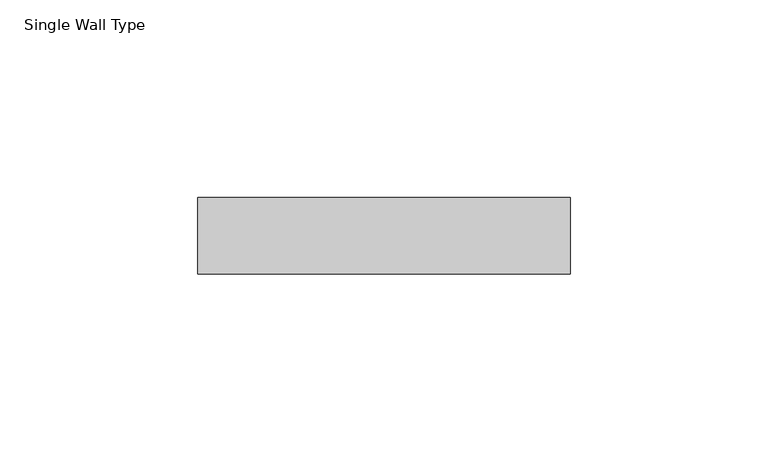
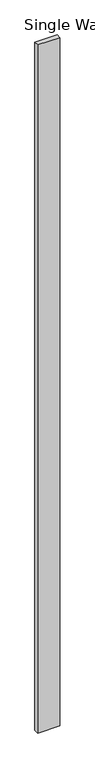
"""IFC4 building model written with IfcOpenShell, lengths in millimetres: proxy geometry, Single Wall Type."""

import ifcopenshell
import ifcopenshell.guid

model = None  # the IFC model being written
_history = None  # IfcOwnerHistory: only IFC2X3 demands one
_inside = {}  # id of a spatial element -> (the spatial element, [elements in it])
_under = {}  # id of a project, library or spatial element -> (it, [spatial elements below it])
_declared = {}  # id of a project -> (the project, [libraries it declares])
_typed = {}  # id of a type object -> (the type object, [elements of that type])
_made_of = {}  # id of a material, layer set ... -> (it, [elements and type objects made of it])


def new_model(schema):
    """Start an empty IFC model of exactly this schema.

    Asked for "IFC4X3", IfcOpenShell would pick the latest addendum, in which some entities
    have other attributes; the version numbers below select the first issue.
    IFC2X3 requires an IfcOwnerHistory on every rooted entity: one is made here for all.
    """
    global model, _history
    if schema == "IFC4X3":
        model = ifcopenshell.file(schema_version=(4, 3, 0, 0))
    else:
        model = ifcopenshell.file(schema=schema)
    _inside.clear()
    _under.clear()
    _declared.clear()
    _typed.clear()
    _made_of.clear()
    _history = None
    if model.schema == "IFC2X3":
        org = make("IfcOrganization", Name="unknown")
        user = make(
            "IfcPersonAndOrganization",
            ThePerson=make("IfcPerson", FamilyName="unknown"),
            TheOrganization=org,
        )
        app = make(
            "IfcApplication",
            ApplicationDeveloper=org,
            Version="unknown",
            ApplicationFullName="unknown",
            ApplicationIdentifier="unknown",
        )
        _history = make(
            "IfcOwnerHistory",
            OwningUser=user,
            OwningApplication=app,
            ChangeAction="ADDED",
            CreationDate=0,
        )
    return model


def make(cls, **values):
    """One entity of the class cls with the attributes given. An attribute that is None is left unset."""
    return model.create_entity(
        cls, **{name: value for name, value in values.items() if value is not None}
    )


def rooted(cls, **values):
    """An entity with a GlobalId (a new one), such as an element, a storey or a relation."""
    return make(cls, GlobalId=ifcopenshell.guid.new(), OwnerHistory=_history, **values)


def si_unit(unit_type, name, prefix=None):
    """IfcSIUnit, for example si_unit("LENGTHUNIT", "METRE", prefix="MILLI")."""
    return make("IfcSIUnit", UnitType=unit_type, Prefix=prefix, Name=name)


def assignment(units):
    """IfcUnitAssignment: the units of a project."""
    return None if units is None else make("IfcUnitAssignment", Units=units)


def point(xyz):
    """IfcCartesianPoint."""
    return None if xyz is None else make("IfcCartesianPoint", Coordinates=xyz)


def direction(xyz):
    """IfcDirection."""
    return None if xyz is None else make("IfcDirection", DirectionRatios=xyz)


def frame(location, z_axis=None, x_axis=None):
    """IfcAxis2Placement3D, a coordinate frame: its origin and axes. An axis left out is left unset."""
    return make(
        "IfcAxis2Placement3D",
        Location=point(location),
        Axis=direction(z_axis),
        RefDirection=direction(x_axis),
    )


def origin():
    """The frame at (0, 0, 0) with its axes left unset."""
    return frame((0.0, 0.0, 0.0))


def origin_with_axes():
    """The frame at (0, 0, 0) with the z axis (0, 0, 1) and the x axis (1, 0, 0) written out."""
    return frame((0.0, 0.0, 0.0), z_axis=(0.0, 0.0, 1.0), x_axis=(1.0, 0.0, 0.0))


def place(relative_to, where):
    """IfcLocalPlacement: puts the frame where relative to a parent placement (None: the world)."""
    return make(
        "IfcLocalPlacement", PlacementRelTo=relative_to, RelativePlacement=where
    )


def context(
    kind, dimensions, precision=None, world=None, true_north=None, identifier=None
):
    """IfcGeometricRepresentationContext, for example the 3D "Model" context."""
    return make(
        "IfcGeometricRepresentationContext",
        ContextIdentifier=identifier,
        ContextType=kind,
        CoordinateSpaceDimension=dimensions,
        Precision=precision,
        WorldCoordinateSystem=world,
        TrueNorth=true_north,
    )


def project(units=None, contexts=None):
    """IfcProject with its units and contexts."""
    return rooted(
        "IfcProject",
        Name="project",
        RepresentationContexts=contexts,
        UnitsInContext=assignment(units),
    )


def spatial(cls, under=None, at=None, **own):
    """A site, building, storey or space (cls), placed at a placement, below another one or the project."""
    s = rooted(cls, ObjectPlacement=at, **own)
    if under is not None:
        _under.setdefault(under.id(), (under, []))[1].append(s)
    return s


def polyline(points):
    """IfcPolyline through the points."""
    return make("IfcPolyline", Points=[point(p) for p in points])


def outline(outer, holes=None, kind="AREA"):
    """IfcArbitraryClosedProfileDef: a profile drawn as a closed curve; with holes, ...WithVoids."""
    if holes is None:
        return make("IfcArbitraryClosedProfileDef", ProfileType=kind, OuterCurve=outer)
    return make(
        "IfcArbitraryProfileDefWithVoids",
        ProfileType=kind,
        OuterCurve=outer,
        InnerCurves=holes,
    )


def extrude(swept, where, along, depth):
    """IfcExtrudedAreaSolid: the profile swept, set in the frame where, extruded along a direction by depth."""
    return make(
        "IfcExtrudedAreaSolid",
        SweptArea=swept,
        Position=where,
        ExtrudedDirection=direction(along),
        Depth=depth,
    )


def shape(context_of_items, identifier, shape_type, items):
    """IfcShapeRepresentation: the items that make up one representation, for example the "Body"."""
    return make(
        "IfcShapeRepresentation",
        ContextOfItems=context_of_items,
        RepresentationIdentifier=identifier,
        RepresentationType=shape_type,
        Items=items,
    )


def source(mapping_origin, context_of_items, identifier, shape_type, items):
    """IfcRepresentationMap: a shape defined once, which mapped items show again and again."""
    return make(
        "IfcRepresentationMap",
        MappingOrigin=mapping_origin,
        MappedRepresentation=shape(context_of_items, identifier, shape_type, items),
    )


def transform(
    local_origin,
    x_axis=None,
    y_axis=None,
    z_axis=None,
    scale=None,
    scale2=None,
    scale3=None,
    uniform=True,
):
    """IfcCartesianTransformationOperator3D, or its non-uniform kind. x_axis, y_axis, z_axis: its Axis1, 2, 3."""
    if uniform:
        return make(
            "IfcCartesianTransformationOperator3D",
            Axis1=direction(x_axis),
            Axis2=direction(y_axis),
            LocalOrigin=point(local_origin),
            Scale=scale,
            Axis3=direction(z_axis),
        )
    return make(
        "IfcCartesianTransformationOperator3DnonUniform",
        Axis1=direction(x_axis),
        Axis2=direction(y_axis),
        LocalOrigin=point(local_origin),
        Scale=scale,
        Axis3=direction(z_axis),
        Scale2=scale2,
        Scale3=scale3,
    )


def mapped(mapping_source, mapping_target):
    """IfcMappedItem: shows the shape of a source again, moved by a transform."""
    return make(
        "IfcMappedItem", MappingSource=mapping_source, MappingTarget=mapping_target
    )


def made_of(thing, what):
    """Note that an element or type object is made of a material, layer set ...; save() writes the relation."""
    if what is not None:
        _made_of.setdefault(what.id(), (what, []))[1].append(thing)
    return thing


def element(
    cls,
    number,
    at=None,
    inside=None,
    cuts=None,
    type_object=None,
    material=None,
    context=None,
    identifier="Body",
    shape_type=None,
    held_by="IfcProductDefinitionShape",
    body=None,
    shapes=None,
    **own,
):
    """One element of the class cls, such as IfcWall. Its Tag is "e" and its number.

    at: its placement. inside: the storey or other place that contains it. cuts: it is an
    opening in that element (IfcRelVoidsElement). A single representation is given by context,
    identifier, shape_type and body (its items); several are given by shapes. held_by: the class
    of the entity that holds the representations. save() writes the other relations.
    """
    e = rooted(cls, Tag="e%d" % number, ObjectPlacement=at, **own)
    if body is not None:
        shapes = [shape(context, identifier, shape_type, body)]
    if shapes is not None:
        e.Representation = make(held_by, Representations=shapes)
    if inside is not None:
        _inside.setdefault(inside.id(), (inside, []))[1].append(e)
    if cuts is not None:
        rooted(
            "IfcRelVoidsElement", RelatingBuildingElement=cuts, RelatedOpeningElement=e
        )
    if type_object is not None:
        _typed.setdefault(type_object.id(), (type_object, []))[1].append(e)
    return made_of(e, material)


def aggregate(whole, parts):
    """IfcRelAggregates: a whole, such as a stair, and the parts it consists of."""
    return rooted("IfcRelAggregates", RelatingObject=whole, RelatedObjects=parts)


def save(model, path):
    """Write the relations noted so far, then the file.

    IfcRelAggregates (storeys below a building ...), IfcRelContainedInSpatialStructure (elements
    in a storey), IfcRelDefinesByType, IfcRelAssociatesMaterial and IfcRelDeclares: one each for
    every whole, place, type object, material and project.
    """
    for whole, parts in _under.values():
        aggregate(whole, parts)
    for where, things in _inside.values():
        rooted(
            "IfcRelContainedInSpatialStructure",
            RelatedElements=things,
            RelatingStructure=where,
        )
    for kind, things in _typed.values():
        rooted("IfcRelDefinesByType", RelatedObjects=things, RelatingType=kind)
    for what, things in _made_of.values():
        rooted("IfcRelAssociatesMaterial", RelatedObjects=things, RelatingMaterial=what)
    for by, libraries in _declared.values():
        rooted("IfcRelDeclares", RelatingContext=by, RelatedDefinitions=libraries)
    model.write(path)


def single_wall_type_828f5cec(model_context):
    return source(origin(), model_context, "Body", "SweptSolid", [
        extrude(outline(polyline([(-46.99, 24.3522518), (-46.99, 43.6562515), (46.99, 43.6562515), (46.99, 24.3522518), (-46.99, 24.3522518)])), origin_with_axes(), (0.0, 0.0, 1.0), 3048.0),
    ])


if __name__ == "__main__":
    model = new_model("IFC4")
    model_context = context("Model", 3, world=origin())
    ifc_project = project(units=[si_unit("LENGTHUNIT", "METRE", prefix="MILLI")], contexts=[model_context])
    site = spatial("IfcSite", under=ifc_project)
    building = spatial("IfcBuilding", under=site)
    placement = place(None, origin())
    single_wall_type_shape = single_wall_type_828f5cec(model_context)
    element("IfcBuildingElementProxy", 1, Name="Single Wall Type", ObjectType="Single Wall Type", at=placement, inside=building, context=model_context, shape_type="MappedRepresentation", body=[
        mapped(single_wall_type_shape, transform((0.0, 0.0, 0.0), x_axis=(1.0, 0.0, 0.0), y_axis=(0.0, 1.0, 0.0), z_axis=(0.0, 0.0, 1.0))),
    ])
    save(model, "model.ifc")
